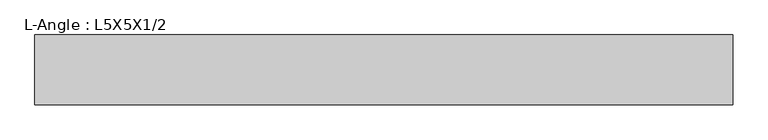
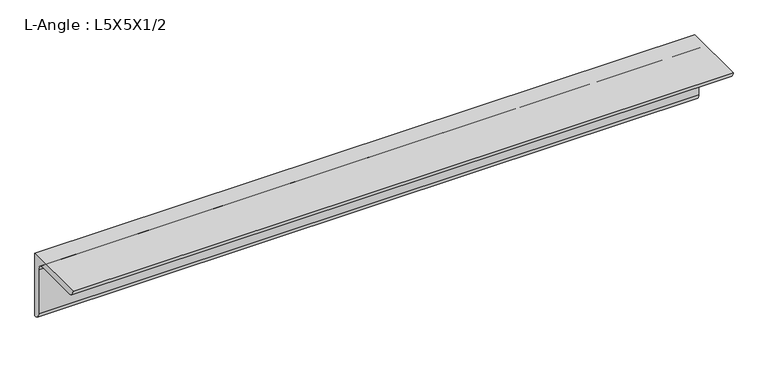
"""IFC4 building model written with IfcOpenShell, lengths in millimetres: beam geometry, L-Angle : L5X5X1/2."""

from ifc_helpers import new_model, si_unit, point, frame, frame_2d, origin, place, context, project, spatial, polyline, circle_curve, trimmed, segment, composite_curve, outline, extrude, source, transform, mapped, element, save


def l_angle_l5x5x1_2_a0783fe0(model_context):
    return source(origin(), model_context, "Body", "SweptSolid", [
        extrude(outline(composite_curve([segment(polyline([(36.068, 36.068), (36.068, -90.932)]), True, "CONTINUOUS"), segment(trimmed(circle_curve(frame_2d((36.068, -78.232)), 12.7), [point((36.068, -90.932))], [point((23.368, -78.232))], False, "CARTESIAN"), True, "CONTINUOUS"), segment(polyline([(23.368, -78.232), (23.368, 10.668)]), True, "CONTINUOUS"), segment(trimmed(circle_curve(frame_2d((10.668, 10.668)), 12.7), [point((23.368, 10.668))], [point((10.668, 23.368))], True, "CARTESIAN"), True, "CONTINUOUS"), segment(polyline([(10.668, 23.368), (-78.232, 23.368)]), True, "CONTINUOUS"), segment(trimmed(circle_curve(frame_2d((-78.232, 36.068)), 12.7), [point((-78.232, 23.368))], [point((-90.932, 36.068))], False, "CARTESIAN"), True, "CONTINUOUS"), segment(polyline([(-90.932, 36.068), (36.068, 36.068)]), True, "CONTINUOUS")], self_intersect=False)), frame((-598.763454, 0.0, 0.0), z_axis=(1.0, 0.0, 0.0), x_axis=(0.0, 1.0, 0.0)), (0.0, 0.0, 1.0), 1268.6864595),
    ])


if __name__ == "__main__":
    model = new_model("IFC4")
    model_context = context("Model", 3, world=origin())
    ifc_project = project(units=[si_unit("LENGTHUNIT", "METRE", prefix="MILLI")], contexts=[model_context])
    site = spatial("IfcSite", under=ifc_project)
    building = spatial("IfcBuilding", under=site)
    placement = place(None, origin())
    l_angle_l5x5x1_2_shape = l_angle_l5x5x1_2_a0783fe0(model_context)
    element("IfcBeam", 1, ObjectType="L-Angle : L5X5X1/2", at=placement, inside=building, context=model_context, shape_type="MappedRepresentation", body=[
        mapped(l_angle_l5x5x1_2_shape, transform((0.0, 0.0, 0.0), x_axis=(1.0, 0.0, 0.0), y_axis=(0.0, 1.0, 0.0), z_axis=(0.0, 0.0, 1.0))),
    ])
    save(model, "model.ifc")
